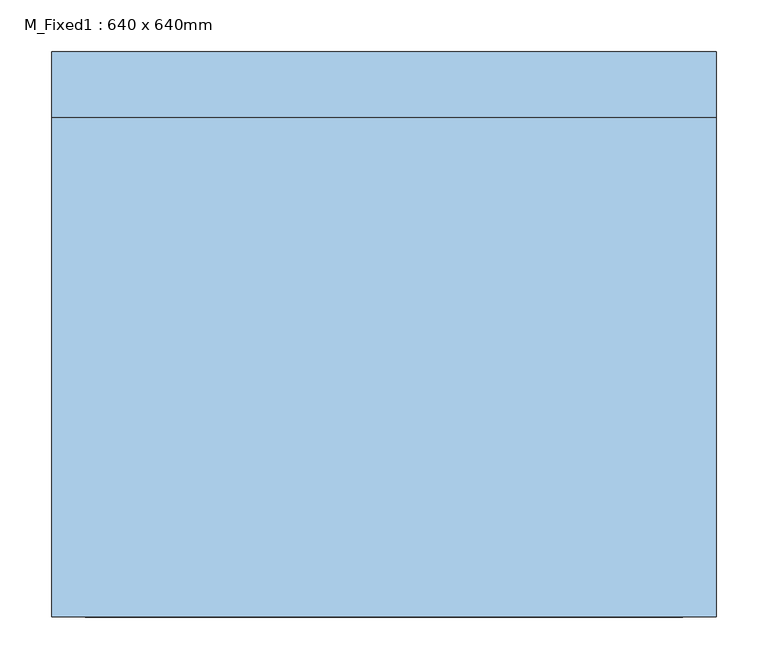
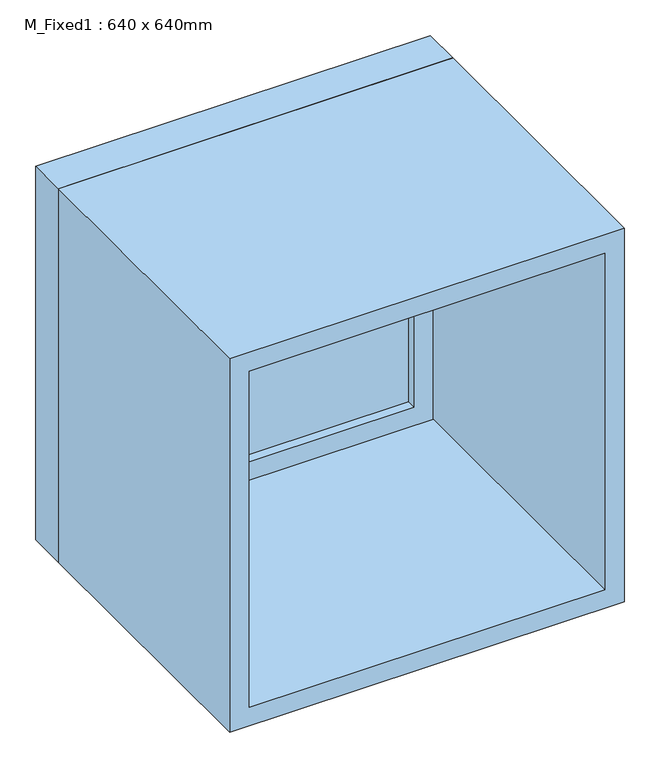
"""IFC4 building model written with IfcOpenShell, lengths in millimetres: window geometry, M_Fixed1 : 640 x 640mm."""

from ifc_helpers import new_model, si_unit, frame, origin, place, context, project, spatial, polyline, outline, extrude, source, transform, mapped, element, save


def m_fixed1_640_x_640mm_6d7bdbfd(model_context):
    return source(origin(), model_context, "Body", "SweptSolid", [
        extrude(outline(polyline([(-257.0, 250.2458867), (257.0, 250.2458867), (257.0, 238.2458867), (-257.0, 238.2458867), (-257.0, 250.2458867)])), frame((0.0, 0.0, 978.0), z_axis=(0.0, 0.0, 1.0), x_axis=(1.0, 0.0, 0.0)), (0.0, 0.0, 1.0), 514.0),
        extrude(outline(polyline([(1536.0, -301.0), (934.0, -301.0), (934.0, 301.0), (1536.0, 301.0), (1536.0, -301.0)]), holes=[polyline([(1492.0, -257.0), (1492.0, 257.0), (978.0, 257.0), (978.0, -257.0), (1492.0, -257.0)])]), frame((0.0, 222.2458867, 0.0), z_axis=(0.0, 1.0, 0.0), x_axis=(0.0, 0.0, 1.0)), (0.0, 0.0, 1.0), 44.0),
        extrude(outline(polyline([(1555.0, -320.0), (915.0, -320.0), (915.0, 320.0), (1555.0, 320.0), (1555.0, -320.0)]), holes=[polyline([(1536.0, -301.0), (1536.0, 301.0), (934.0, 301.0), (934.0, -301.0), (1536.0, -301.0)])]), frame((0.0, 222.2458867, 0.0), z_axis=(0.0, 1.0, 0.0), x_axis=(0.0, 0.0, 1.0)), (0.0, 0.0, 1.0), 63.0),
        extrude(outline(polyline([(1555.0, -320.0), (915.0, -320.0), (915.0, 320.0), (1555.0, 320.0), (1555.0, -320.0)]), holes=[polyline([(1523.0, -288.0), (1523.0, 288.0), (947.0, 288.0), (947.0, -288.0), (1523.0, -288.0)])]), frame((0.0, -259.2458867, 0.0), z_axis=(0.0, 1.0, 0.0), x_axis=(0.0, 0.0, 1.0)), (0.0, 0.0, 1.0), 481.4917734),
    ])


if __name__ == "__main__":
    model = new_model("IFC4")
    model_context = context("Model", 3, world=origin())
    ifc_project = project(units=[si_unit("LENGTHUNIT", "METRE", prefix="MILLI")], contexts=[model_context])
    site = spatial("IfcSite", under=ifc_project)
    building = spatial("IfcBuilding", under=site)
    placement = place(None, origin())
    m_fixed1_640_x_640mm_shape = m_fixed1_640_x_640mm_6d7bdbfd(model_context)
    element("IfcWindow", 1, ObjectType="M_Fixed1 : 640 x 640mm", at=placement, inside=building, context=model_context, shape_type="MappedRepresentation", body=[
        mapped(m_fixed1_640_x_640mm_shape, transform((0.0, 0.0, 0.0), x_axis=(1.0, 0.0, 0.0), y_axis=(0.0, 1.0, 0.0), z_axis=(0.0, 0.0, 1.0))),
    ])
    save(model, "model.ifc")
